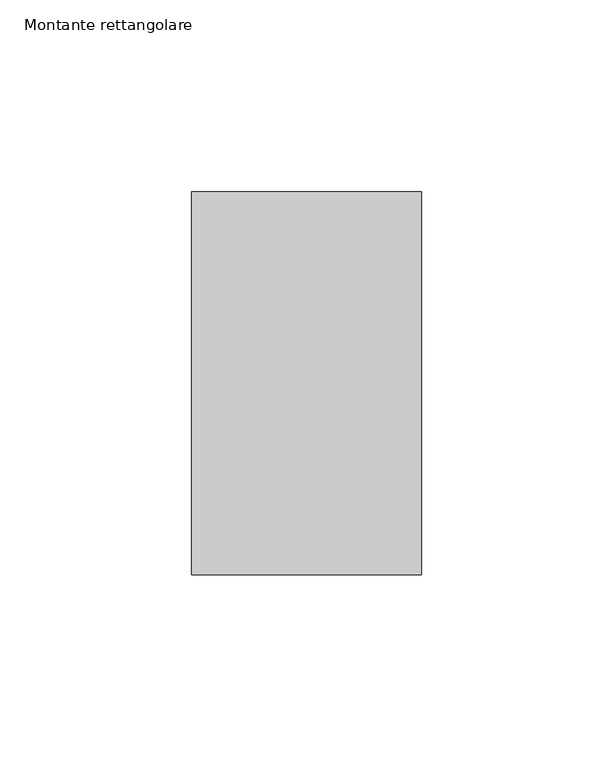
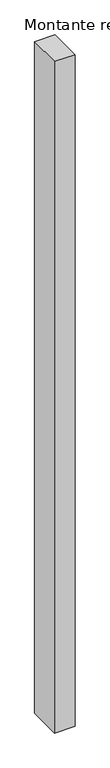
"""IFC4 building model written with IfcOpenShell, lengths in millimetres: member geometry, Montante rettangolare."""

from ifc_helpers import new_model, si_unit, frame, origin, place, context, project, spatial, polyline, outline, extrude, source, transform, mapped, element, save


def montante_rettangolare_031f41c7(model_context):
    return source(origin(), model_context, "Body", "SweptSolid", [
        extrude(outline(polyline([(0.0, 50.0), (0.0, -50.0), (-60.0, -50.0), (-60.0, 50.0), (0.0, 50.0)])), frame((0.0, 0.0, -2075.0), z_axis=(0.0, 0.0, 1.0), x_axis=(1.0, 0.0, 0.0)), (0.0, 0.0, 1.0), 2075.0),
    ])


if __name__ == "__main__":
    model = new_model("IFC4")
    model_context = context("Model", 3, world=origin())
    ifc_project = project(units=[si_unit("LENGTHUNIT", "METRE", prefix="MILLI")], contexts=[model_context])
    site = spatial("IfcSite", under=ifc_project)
    building = spatial("IfcBuilding", under=site)
    placement = place(None, origin())
    montante_rettangolare_shape = montante_rettangolare_031f41c7(model_context)
    element("IfcMember", 1, ObjectType="Montante rettangolare", at=placement, inside=building, context=model_context, shape_type="MappedRepresentation", body=[
        mapped(montante_rettangolare_shape, transform((0.0, 0.0, 0.0), x_axis=(1.0, 0.0, 0.0), y_axis=(0.0, 1.0, 0.0), z_axis=(0.0, 0.0, 1.0))),
    ])
    save(model, "model.ifc")
